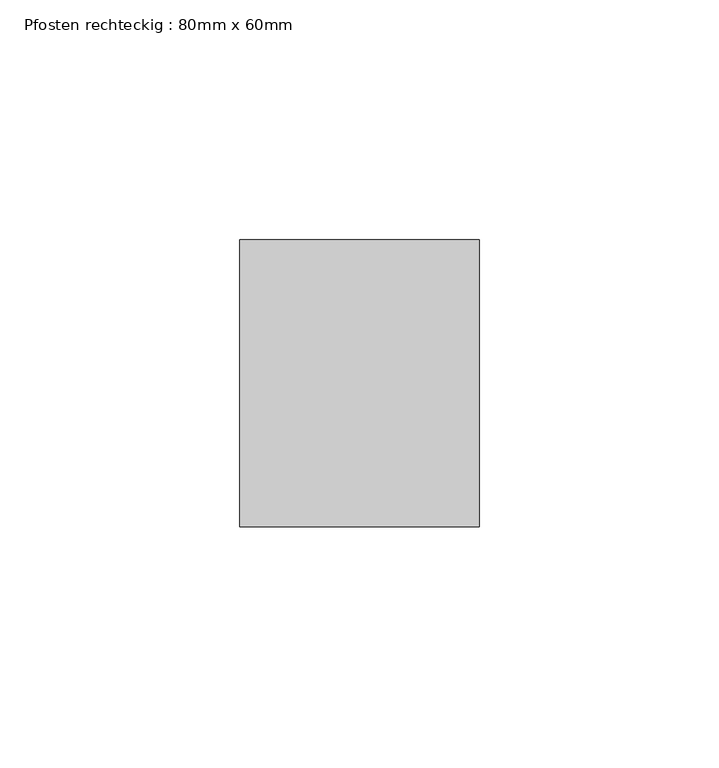
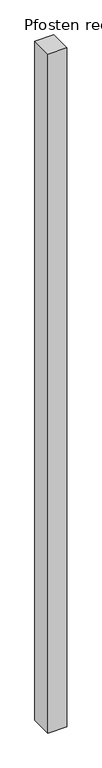
"""IFC4 building model written with IfcOpenShell, lengths in millimetres: member geometry, Pfosten rechteckig : 80mm x 60mm."""

from ifc_helpers import new_model, si_unit, frame, origin, place, context, project, spatial, polyline, outline, extrude, source, transform, mapped, element, save


def pfosten_rechteckig_80mm_x_60mm_d89c8024(model_context):
    return source(origin(), model_context, "Body", "SweptSolid", [
        extrude(outline(polyline([(0.0, 30.0), (0.0, -30.0), (-50.0, -30.0), (-50.0, 30.0), (0.0, 30.0)])), frame((0.0, 0.0, -1905.0), z_axis=(0.0, 0.0, 1.0), x_axis=(1.0, 0.0, 0.0)), (0.0, 0.0, 1.0), 1905.0),
    ])


if __name__ == "__main__":
    model = new_model("IFC4")
    model_context = context("Model", 3, world=origin())
    ifc_project = project(units=[si_unit("LENGTHUNIT", "METRE", prefix="MILLI")], contexts=[model_context])
    site = spatial("IfcSite", under=ifc_project)
    building = spatial("IfcBuilding", under=site)
    placement = place(None, origin())
    pfosten_rechteckig_80mm_x_60mm_shape = pfosten_rechteckig_80mm_x_60mm_d89c8024(model_context)
    element("IfcMember", 1, ObjectType="Pfosten rechteckig : 80mm x 60mm", at=placement, inside=building, context=model_context, shape_type="MappedRepresentation", body=[
        mapped(pfosten_rechteckig_80mm_x_60mm_shape, transform((0.0, 0.0, 0.0), x_axis=(1.0, 0.0, 0.0), y_axis=(0.0, 1.0, 0.0), z_axis=(0.0, 0.0, 1.0))),
    ])
    save(model, "model.ifc")
